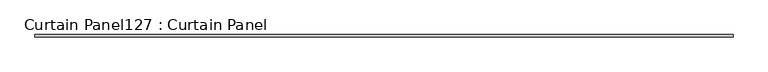
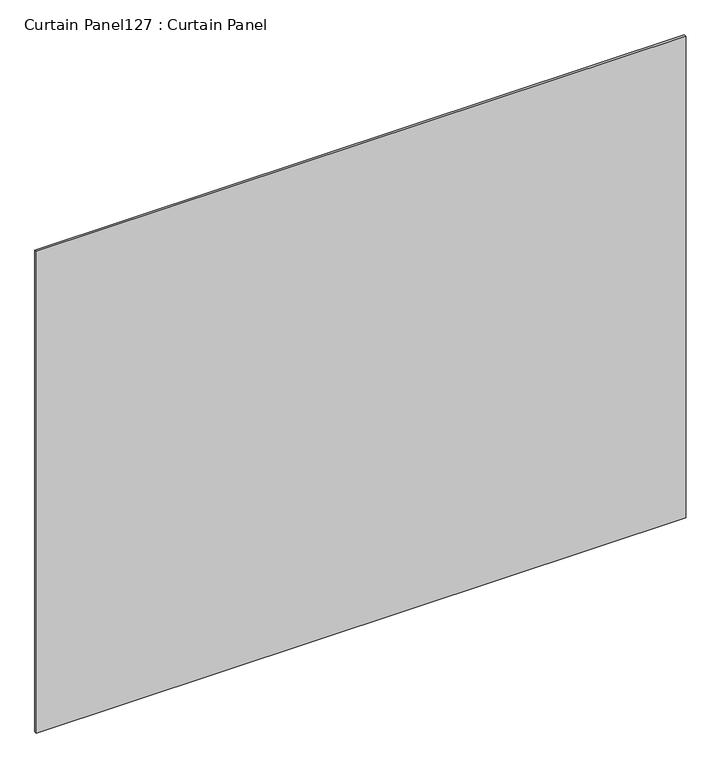
"""IFC4 building model written with IfcOpenShell, lengths in millimetres: plate geometry, Curtain Panel127 : Curtain Panel."""

from ifc_helpers import new_model, si_unit, frame, origin, place, context, project, spatial, polyline, outline, extrude, source, transform, mapped, element, save


def curtain_panel127_curtain_panel_27923a75(model_context):
    return source(origin(), model_context, "Body", "SweptSolid", [
        extrude(outline(polyline([(282998.9063541, 2414.4484836), (281170.1063541, 2414.4484836), (281170.1063541, 2420.7984836), (282998.9063541, 2420.7984836), (282998.9063541, 2414.4484836)])), frame((0.0, 0.0, 4914.2249337), z_axis=(0.0, 0.0, 1.0), x_axis=(1.0, 0.0, 0.0)), (0.0, 0.0, 1.0), 1432.7076284),
    ])


if __name__ == "__main__":
    model = new_model("IFC4")
    model_context = context("Model", 3, world=origin())
    ifc_project = project(units=[si_unit("LENGTHUNIT", "METRE", prefix="MILLI")], contexts=[model_context])
    site = spatial("IfcSite", under=ifc_project)
    building = spatial("IfcBuilding", under=site)
    placement = place(None, origin())
    curtain_panel127_curtain_panel_shape = curtain_panel127_curtain_panel_27923a75(model_context)
    element("IfcPlate", 1, ObjectType="Curtain Panel127 : Curtain Panel", at=placement, inside=building, context=model_context, shape_type="MappedRepresentation", body=[
        mapped(curtain_panel127_curtain_panel_shape, transform((0.0, 0.0, 0.0), x_axis=(1.0, 0.0, 0.0), y_axis=(0.0, 1.0, 0.0), z_axis=(0.0, 0.0, 1.0))),
    ])
    save(model, "model.ifc")
